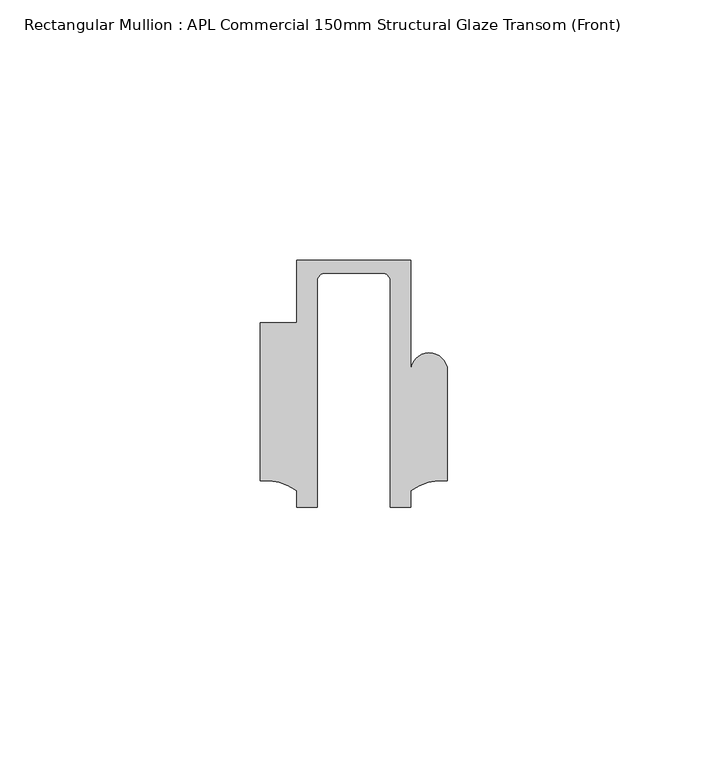
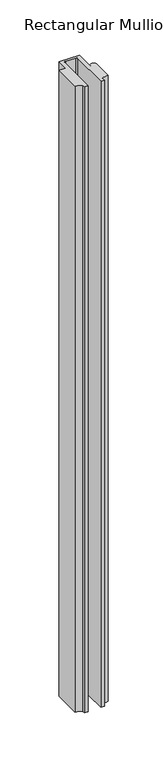
"""IFC4 building model written with IfcOpenShell, lengths in millimetres: member geometry, Rectangular Mullion : APL Commercial 150mm Structural Glaze Transom (Front)."""

from ifc_helpers import new_model, si_unit, frame, origin, place, context, project, spatial, polyline, circle_curve, source, transform, mapped, element, save
from ifc_brep_helpers import plane_surface, cylinder_surface, revolved_surface, advanced_brep


def rectangular_mullion_apl_commercial_150mm_structural_glaze_9735d05b(model_context):
    return source(origin(), model_context, "Body", "AdvancedBrep", [
        advanced_brep(
        [(-11.0000151, 27.0, 0.0), (-11.0000151, 15.0006281, 0.0), (-17.9999542, 15.0006281, 0.0), (-17.9999542, -15.3797475, 0.0), (-10.9999994, -17.3125325, 0.0), (-10.9999994, -20.5, 0.0), (-6.9999853, -20.5, 0.0), (-6.9999853, 22.9976091, 0.0), (-5.4999873, 24.5, 0.0), (5.4999872, 24.5, 0.0), (6.9999849, 22.9973451, 0.0), (6.9999849, -20.5, 0.0), (11.0000151, -20.5, 0.0), (11.0000151, -17.3125212, 0.0), (17.9999542, -15.3797475, 0.0), (17.9999542, 5.684606, 0.0), (11.001071, 5.5848769, 0.0), (11.001071, 27.0, 0.0), (-11.0000151, 27.0, -722.0469235), (11.001071, 27.0, -722.0469235), (11.001071, 5.5848769, -722.0469235), (17.9999091, 5.6750512, -722.0469235), (17.9999542, -15.3797475, -722.0469235), (11.0000151, -17.3125212, -722.0469235), (11.0000151, -20.5, -722.0469235), (6.9999849, -20.5, -722.0469235), (6.9999849, 22.9973451, -722.0469235), (5.4999872, 24.5, -722.0469235), (-5.4999873, 24.5, -722.0469235), (-6.9999853, 22.9976091, -722.0469235), (-6.9999853, -20.5, -722.0469235), (-10.9999994, -20.5, -722.0469235), (-10.9999994, -17.3125325, -722.0469235), (-17.9999542, -15.3797475, -722.0469235), (-17.9999542, 15.0006281, -722.0469235), (-11.0000151, 15.0006281, -722.0469235)],
        [
            (0, 1),
            (1, 2),
            (2, 3),
            (3, 4, circle_curve(frame((-17.109817, -25.7981812, 0.0), z_axis=(0.0, 0.0, -1.0), x_axis=(0.0, 1.0, 0.0)), 10.4563907)),
            (4, 5),
            (5, 6),
            (6, 7),
            (7, 8, circle_curve(frame((-5.4999873, 23.0, 0.0), z_axis=(0.0, 0.0, -1.0), x_axis=(2.7320010112268853e-08, 0.9999999999999997, 0.0)), 1.5)),
            (8, 9),
            (9, 10, circle_curve(frame((5.4999872, 23.0, 0.0), z_axis=(0.0, 0.0, -1.0), x_axis=(0.9999999999999986, -5.463622857820516e-08, 0.0)), 1.5)),
            (10, 11),
            (11, 12),
            (12, 13),
            (13, 14, circle_curve(frame((17.109817, -25.7981812, 0.0), z_axis=(0.0, 0.0, -1.0), x_axis=(0.0, 1.0, 0.0)), 10.4563907)),
            (14, 15),
            (15, 16, circle_curve(frame((14.4999091, 5.6750512, 0.0), z_axis=(0.0, 0.0, 1.0), x_axis=(-0.9999826028573957, -0.005898642432633649, 0.0)), 3.5)),
            (16, 17),
            (17, 0),
            (18, 19),
            (19, 20),
            (20, 21, circle_curve(frame((14.4999091, 5.6750512, -722.0469235), z_axis=(0.0, 0.0, -1.0), x_axis=(-0.9999826028573957, -0.005898642432633649, 0.0)), 3.5)),
            (21, 22),
            (22, 23, circle_curve(frame((17.109817, -25.7981812, -722.0469235), z_axis=(0.0, 0.0, 1.0), x_axis=(0.0, 1.0, 0.0)), 10.4563907)),
            (23, 24),
            (24, 25),
            (25, 26),
            (26, 27, circle_curve(frame((5.4999872, 23.0, -722.0469235), z_axis=(0.0, 0.0, 1.0), x_axis=(0.9999999999999986, -5.463622857820516e-08, 0.0)), 1.5)),
            (27, 28),
            (28, 29, circle_curve(frame((-5.4999873, 23.0, -722.0469235), z_axis=(0.0, 0.0, 1.0), x_axis=(2.7320010112268853e-08, 0.9999999999999997, 0.0)), 1.5)),
            (29, 30),
            (30, 31),
            (31, 32),
            (32, 33, circle_curve(frame((-17.109817, -25.7981812, -722.0469235), z_axis=(0.0, 0.0, 1.0), x_axis=(0.0, 1.0, 0.0)), 10.4563907)),
            (33, 34),
            (34, 35),
            (35, 18),
            (0, 18),
            (35, 1),
            (34, 2),
            (33, 3),
            (32, 4),
            (31, 5),
            (30, 6),
            (29, 7),
            (28, 8),
            (27, 9),
            (26, 10),
            (25, 11),
            (24, 12),
            (23, 13),
            (22, 14),
            (21, 15),
            (20, 16),
            (19, 17),
        ],
        [
            plane_surface(frame((0.0, -29.1551636, 0.0), z_axis=(0.0, 0.0, 1.0), x_axis=(-1.0, 0.0, 0.0))),
            plane_surface(frame((0.0, -29.1551636, -722.0469235), z_axis=(0.0, 0.0, -1.0), x_axis=(-1.0, 0.0, 0.0))),
            plane_surface(frame((-11.0000151, 27.0, 0.0), z_axis=(-1.0, 0.0, 0.0), x_axis=(0.0, 0.0, -1.0))),
            plane_surface(frame((-11.0000151, 15.0006281, 0.0), z_axis=(0.0, 1.0, 0.0), x_axis=(0.0, 0.0, -1.0))),
            plane_surface(frame((-17.9999542, 15.0006281, 0.0), z_axis=(-1.0, 0.0, 0.0), x_axis=(0.0, 0.0, -1.0))),
            revolved_surface(polyline([(-17.109817, -15.341790499999998, -722.0469235), (-17.109817, -15.341790499999998, 0.0)]), (-17.109817, -25.7981812, 0.0), (0.0, 0.0, -1.0)),
            plane_surface(frame((-10.9999994, -17.3125325, 0.0), z_axis=(-1.0, 0.0, 0.0), x_axis=(0.0, 0.0, -1.0))),
            plane_surface(frame((-10.9999994, -20.5, 0.0), z_axis=(0.0, -1.0, 0.0), x_axis=(0.0, 0.0, -1.0))),
            plane_surface(frame((-6.9999853, -20.5, 0.0), z_axis=(1.0, 0.0, 0.0), x_axis=(0.0, 0.0, -1.0))),
            revolved_surface(polyline([(-5.499987259019985, 24.5, -722.0469235), (-5.499987259019985, 24.5, 0.0)]), (-5.4999873, 23.0, 0.0), (0.0, 0.0, -1.0)),
            plane_surface(frame((-5.4999873, 24.5, 0.0), z_axis=(0.0, -1.0, 0.0), x_axis=(0.0, 0.0, -1.0))),
            revolved_surface(polyline([(6.999987199999998, 22.999999918045656, -722.0469235), (6.999987199999998, 22.999999918045656, 0.0)]), (5.4999872, 23.0, 0.0), (0.0, 0.0, -1.0)),
            plane_surface(frame((6.9999849, 22.9973451, 0.0), z_axis=(-1.0, 0.0, 0.0), x_axis=(0.0, 0.0, -1.0))),
            plane_surface(frame((6.9999849, -20.5, 0.0), z_axis=(0.0, -1.0, 0.0), x_axis=(0.0, 0.0, -1.0))),
            plane_surface(frame((11.0000151, -20.5, 0.0), z_axis=(1.0, 0.0, 0.0), x_axis=(0.0, 0.0, -1.0))),
            revolved_surface(polyline([(17.109817, -15.341790499999998, -722.0469235), (17.109817, -15.341790499999998, 0.0)]), (17.109817, -25.7981812, 0.0), (0.0, 0.0, -1.0)),
            plane_surface(frame((17.9999542, -15.3797475, 0.0), z_axis=(1.0, 0.0, 0.0), x_axis=(0.0, 0.0, -1.0))),
            cylinder_surface(frame((14.4999091, 5.6750512, 0.0), z_axis=(0.0, 0.0, 1.0), x_axis=(-0.9999826028573957, -0.005898642432633649, 0.0)), 3.5),
            plane_surface(frame((11.001071, 5.5848769, 0.0), z_axis=(1.0, 0.0, 0.0), x_axis=(0.0, 0.0, -1.0))),
            plane_surface(frame((11.001071, 27.0, 0.0), z_axis=(0.0, 1.0, 0.0), x_axis=(0.0, 0.0, -1.0))),
        ],
        [
            (0, [[1, 2, 3, 4, 5, 6, 7, 8, 9, 10, 11, 12, 13, 14, 15, 16, 17, 18]]),
            (1, [[19, 20, 21, 22, 23, 24, 25, 26, 27, 28, 29, 30, 31, 32, 33, 34, 35, 36]]),
            (2, [[-1, 37, -36, 38]]),
            (3, [[-2, -38, -35, 39]]),
            (4, [[-3, -39, -34, 40]]),
            (5, [[-4, -40, -33, 41]]),
            (6, [[-5, -41, -32, 42]]),
            (7, [[-6, -42, -31, 43]]),
            (8, [[-7, -43, -30, 44]]),
            (9, [[-8, -44, -29, 45]]),
            (10, [[-9, -45, -28, 46]]),
            (11, [[-10, -46, -27, 47]]),
            (12, [[-11, -47, -26, 48]]),
            (13, [[-12, -48, -25, 49]]),
            (14, [[-13, -49, -24, 50]]),
            (15, [[-14, -50, -23, 51]]),
            (16, [[-15, -51, -22, 52]]),
            (17, [[-16, -52, -21, 53]]),
            (18, [[-17, -53, -20, 54]]),
            (19, [[-18, -54, -19, -37]]),
        ],
    ),
    ])


if __name__ == "__main__":
    model = new_model("IFC4")
    model_context = context("Model", 3, world=origin())
    ifc_project = project(units=[si_unit("LENGTHUNIT", "METRE", prefix="MILLI")], contexts=[model_context])
    site = spatial("IfcSite", under=ifc_project)
    building = spatial("IfcBuilding", under=site)
    placement = place(None, origin())
    rectangular_mullion_apl_commercial_150mm_structural_glaze_shape = rectangular_mullion_apl_commercial_150mm_structural_glaze_9735d05b(model_context)
    element("IfcMember", 1, ObjectType="Rectangular Mullion : APL Commercial 150mm Structural Glaze Transom (Front)", at=placement, inside=building, context=model_context, shape_type="MappedRepresentation", body=[
        mapped(rectangular_mullion_apl_commercial_150mm_structural_glaze_shape, transform((0.0, 0.0, 0.0), x_axis=(1.0, 0.0, 0.0), y_axis=(0.0, 1.0, 0.0), z_axis=(0.0, 0.0, 1.0))),
    ])
    save(model, "model.ifc")
